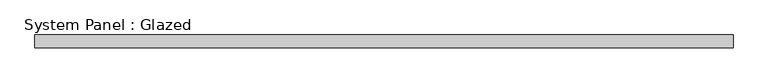
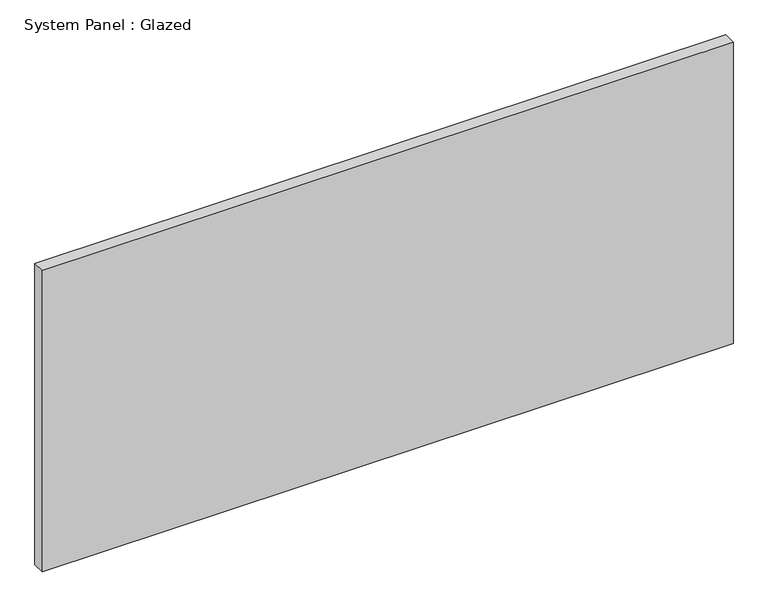
"""IFC4 building model written with IfcOpenShell, lengths in millimetres: plate geometry, System Panel : Glazed."""

from ifc_helpers import new_model, si_unit, origin, origin_with_axes, place, context, project, spatial, polyline, outline, extrude, source, transform, mapped, element, save


def system_panel_glazed_a75c0f02(model_context):
    return source(origin(), model_context, "Body", "SweptSolid", [
        extrude(outline(polyline([(677.5, -49.5), (-677.5, -49.5), (-677.5, -24.5), (677.5, -24.5), (677.5, -49.5)])), origin_with_axes(), (0.0, 0.0, 1.0), 625.0),
    ])


if __name__ == "__main__":
    model = new_model("IFC4")
    model_context = context("Model", 3, world=origin())
    ifc_project = project(units=[si_unit("LENGTHUNIT", "METRE", prefix="MILLI")], contexts=[model_context])
    site = spatial("IfcSite", under=ifc_project)
    building = spatial("IfcBuilding", under=site)
    placement = place(None, origin())
    system_panel_glazed_shape = system_panel_glazed_a75c0f02(model_context)
    element("IfcPlate", 1, ObjectType="System Panel : Glazed", at=placement, inside=building, context=model_context, shape_type="MappedRepresentation", body=[
        mapped(system_panel_glazed_shape, transform((0.0, 0.0, 0.0), x_axis=(1.0, 0.0, 0.0), y_axis=(0.0, 1.0, 0.0), z_axis=(0.0, 0.0, 1.0))),
    ])
    save(model, "model.ifc")
